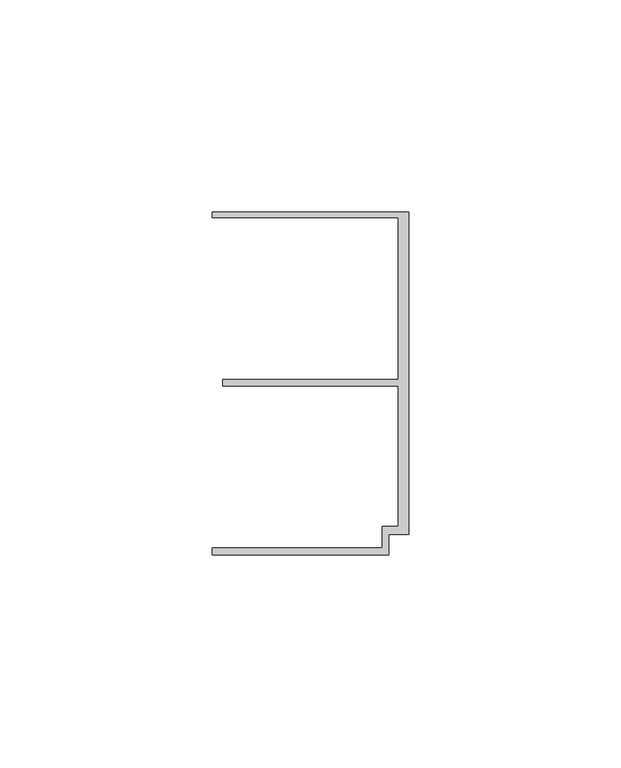
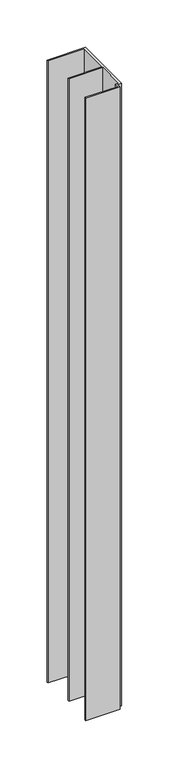
"""IFC4 building model written with IfcOpenShell, lengths in millimetres: member geometry."""

import ifcopenshell
import ifcopenshell.guid

model = None  # the IFC model being written
_history = None  # IfcOwnerHistory: only IFC2X3 demands one
_inside = {}  # id of a spatial element -> (the spatial element, [elements in it])
_under = {}  # id of a project, library or spatial element -> (it, [spatial elements below it])
_declared = {}  # id of a project -> (the project, [libraries it declares])
_typed = {}  # id of a type object -> (the type object, [elements of that type])
_made_of = {}  # id of a material, layer set ... -> (it, [elements and type objects made of it])


def new_model(schema):
    """Start an empty IFC model of exactly this schema.

    Asked for "IFC4X3", IfcOpenShell would pick the latest addendum, in which some entities
    have other attributes; the version numbers below select the first issue.
    IFC2X3 requires an IfcOwnerHistory on every rooted entity: one is made here for all.
    """
    global model, _history
    if schema == "IFC4X3":
        model = ifcopenshell.file(schema_version=(4, 3, 0, 0))
    else:
        model = ifcopenshell.file(schema=schema)
    _inside.clear()
    _under.clear()
    _declared.clear()
    _typed.clear()
    _made_of.clear()
    _history = None
    if model.schema == "IFC2X3":
        org = make("IfcOrganization", Name="unknown")
        user = make(
            "IfcPersonAndOrganization",
            ThePerson=make("IfcPerson", FamilyName="unknown"),
            TheOrganization=org,
        )
        app = make(
            "IfcApplication",
            ApplicationDeveloper=org,
            Version="unknown",
            ApplicationFullName="unknown",
            ApplicationIdentifier="unknown",
        )
        _history = make(
            "IfcOwnerHistory",
            OwningUser=user,
            OwningApplication=app,
            ChangeAction="ADDED",
            CreationDate=0,
        )
    return model


def make(cls, **values):
    """One entity of the class cls with the attributes given. An attribute that is None is left unset."""
    return model.create_entity(
        cls, **{name: value for name, value in values.items() if value is not None}
    )


def rooted(cls, **values):
    """An entity with a GlobalId (a new one), such as an element, a storey or a relation."""
    return make(cls, GlobalId=ifcopenshell.guid.new(), OwnerHistory=_history, **values)


def si_unit(unit_type, name, prefix=None):
    """IfcSIUnit, for example si_unit("LENGTHUNIT", "METRE", prefix="MILLI")."""
    return make("IfcSIUnit", UnitType=unit_type, Prefix=prefix, Name=name)


def assignment(units):
    """IfcUnitAssignment: the units of a project."""
    return None if units is None else make("IfcUnitAssignment", Units=units)


def point(xyz):
    """IfcCartesianPoint."""
    return None if xyz is None else make("IfcCartesianPoint", Coordinates=xyz)


def direction(xyz):
    """IfcDirection."""
    return None if xyz is None else make("IfcDirection", DirectionRatios=xyz)


def frame(location, z_axis=None, x_axis=None):
    """IfcAxis2Placement3D, a coordinate frame: its origin and axes. An axis left out is left unset."""
    return make(
        "IfcAxis2Placement3D",
        Location=point(location),
        Axis=direction(z_axis),
        RefDirection=direction(x_axis),
    )


def origin():
    """The frame at (0, 0, 0) with its axes left unset."""
    return frame((0.0, 0.0, 0.0))


def place(relative_to, where):
    """IfcLocalPlacement: puts the frame where relative to a parent placement (None: the world)."""
    return make(
        "IfcLocalPlacement", PlacementRelTo=relative_to, RelativePlacement=where
    )


def context(
    kind, dimensions, precision=None, world=None, true_north=None, identifier=None
):
    """IfcGeometricRepresentationContext, for example the 3D "Model" context."""
    return make(
        "IfcGeometricRepresentationContext",
        ContextIdentifier=identifier,
        ContextType=kind,
        CoordinateSpaceDimension=dimensions,
        Precision=precision,
        WorldCoordinateSystem=world,
        TrueNorth=true_north,
    )


def project(units=None, contexts=None):
    """IfcProject with its units and contexts."""
    return rooted(
        "IfcProject",
        Name="project",
        RepresentationContexts=contexts,
        UnitsInContext=assignment(units),
    )


def spatial(cls, under=None, at=None, **own):
    """A site, building, storey or space (cls), placed at a placement, below another one or the project."""
    s = rooted(cls, ObjectPlacement=at, **own)
    if under is not None:
        _under.setdefault(under.id(), (under, []))[1].append(s)
    return s


def polyline(points):
    """IfcPolyline through the points."""
    return make("IfcPolyline", Points=[point(p) for p in points])


def outline(outer, holes=None, kind="AREA"):
    """IfcArbitraryClosedProfileDef: a profile drawn as a closed curve; with holes, ...WithVoids."""
    if holes is None:
        return make("IfcArbitraryClosedProfileDef", ProfileType=kind, OuterCurve=outer)
    return make(
        "IfcArbitraryProfileDefWithVoids",
        ProfileType=kind,
        OuterCurve=outer,
        InnerCurves=holes,
    )


def extrude(swept, where, along, depth):
    """IfcExtrudedAreaSolid: the profile swept, set in the frame where, extruded along a direction by depth."""
    return make(
        "IfcExtrudedAreaSolid",
        SweptArea=swept,
        Position=where,
        ExtrudedDirection=direction(along),
        Depth=depth,
    )


def shape(context_of_items, identifier, shape_type, items):
    """IfcShapeRepresentation: the items that make up one representation, for example the "Body"."""
    return make(
        "IfcShapeRepresentation",
        ContextOfItems=context_of_items,
        RepresentationIdentifier=identifier,
        RepresentationType=shape_type,
        Items=items,
    )


def source(mapping_origin, context_of_items, identifier, shape_type, items):
    """IfcRepresentationMap: a shape defined once, which mapped items show again and again."""
    return make(
        "IfcRepresentationMap",
        MappingOrigin=mapping_origin,
        MappedRepresentation=shape(context_of_items, identifier, shape_type, items),
    )


def transform(
    local_origin,
    x_axis=None,
    y_axis=None,
    z_axis=None,
    scale=None,
    scale2=None,
    scale3=None,
    uniform=True,
):
    """IfcCartesianTransformationOperator3D, or its non-uniform kind. x_axis, y_axis, z_axis: its Axis1, 2, 3."""
    if uniform:
        return make(
            "IfcCartesianTransformationOperator3D",
            Axis1=direction(x_axis),
            Axis2=direction(y_axis),
            LocalOrigin=point(local_origin),
            Scale=scale,
            Axis3=direction(z_axis),
        )
    return make(
        "IfcCartesianTransformationOperator3DnonUniform",
        Axis1=direction(x_axis),
        Axis2=direction(y_axis),
        LocalOrigin=point(local_origin),
        Scale=scale,
        Axis3=direction(z_axis),
        Scale2=scale2,
        Scale3=scale3,
    )


def mapped(mapping_source, mapping_target):
    """IfcMappedItem: shows the shape of a source again, moved by a transform."""
    return make(
        "IfcMappedItem", MappingSource=mapping_source, MappingTarget=mapping_target
    )


def made_of(thing, what):
    """Note that an element or type object is made of a material, layer set ...; save() writes the relation."""
    if what is not None:
        _made_of.setdefault(what.id(), (what, []))[1].append(thing)
    return thing


def element(
    cls,
    number,
    at=None,
    inside=None,
    cuts=None,
    type_object=None,
    material=None,
    context=None,
    identifier="Body",
    shape_type=None,
    held_by="IfcProductDefinitionShape",
    body=None,
    shapes=None,
    **own,
):
    """One element of the class cls, such as IfcWall. Its Tag is "e" and its number.

    at: its placement. inside: the storey or other place that contains it. cuts: it is an
    opening in that element (IfcRelVoidsElement). A single representation is given by context,
    identifier, shape_type and body (its items); several are given by shapes. held_by: the class
    of the entity that holds the representations. save() writes the other relations.
    """
    e = rooted(cls, Tag="e%d" % number, ObjectPlacement=at, **own)
    if body is not None:
        shapes = [shape(context, identifier, shape_type, body)]
    if shapes is not None:
        e.Representation = make(held_by, Representations=shapes)
    if inside is not None:
        _inside.setdefault(inside.id(), (inside, []))[1].append(e)
    if cuts is not None:
        rooted(
            "IfcRelVoidsElement", RelatingBuildingElement=cuts, RelatedOpeningElement=e
        )
    if type_object is not None:
        _typed.setdefault(type_object.id(), (type_object, []))[1].append(e)
    return made_of(e, material)


def aggregate(whole, parts):
    """IfcRelAggregates: a whole, such as a stair, and the parts it consists of."""
    return rooted("IfcRelAggregates", RelatingObject=whole, RelatedObjects=parts)


def save(model, path):
    """Write the relations noted so far, then the file.

    IfcRelAggregates (storeys below a building ...), IfcRelContainedInSpatialStructure (elements
    in a storey), IfcRelDefinesByType, IfcRelAssociatesMaterial and IfcRelDeclares: one each for
    every whole, place, type object, material and project.
    """
    for whole, parts in _under.values():
        aggregate(whole, parts)
    for where, things in _inside.values():
        rooted(
            "IfcRelContainedInSpatialStructure",
            RelatedElements=things,
            RelatingStructure=where,
        )
    for kind, things in _typed.values():
        rooted("IfcRelDefinesByType", RelatedObjects=things, RelatingType=kind)
    for what, things in _made_of.values():
        rooted("IfcRelAssociatesMaterial", RelatedObjects=things, RelatingMaterial=what)
    for by, libraries in _declared.values():
        rooted("IfcRelDeclares", RelatingContext=by, RelatedDefinitions=libraries)
    model.write(path)


def member_60e054e2(model_context):
    return source(origin(), model_context, "Body", "SweptSolid", [
        extrude(outline(polyline([(-6.2, -33.95), (-2.4, -33.95), (-2.4, -0.75), (-43.8, -0.75), (-43.8, 0.75), (-2.4, 0.75), (-2.4, 38.95), (-46.3, 38.95), (-46.3, 40.25), (0.0, 40.25), (0.0, -35.75), (-4.6999992, -35.75), (-4.6999992, -40.65), (-46.3, -40.65), (-46.3, -38.95), (-6.2, -38.95), (-6.2, -33.95)])), frame((0.0, 0.0, -800.0), z_axis=(0.0, 0.0, 1.0), x_axis=(1.0, 0.0, 0.0)), (0.0, 0.0, 1.0), 800.0),
    ])


if __name__ == "__main__":
    model = new_model("IFC4")
    model_context = context("Model", 3, world=origin())
    ifc_project = project(units=[si_unit("LENGTHUNIT", "METRE", prefix="MILLI")], contexts=[model_context])
    site = spatial("IfcSite", under=ifc_project)
    building = spatial("IfcBuilding", under=site)
    placement = place(None, origin())
    member_shape = member_60e054e2(model_context)
    element("IfcMember", 1, at=placement, inside=building, context=model_context, shape_type="MappedRepresentation", body=[
        mapped(member_shape, transform((0.0, 0.0, 0.0), x_axis=(1.0, 0.0, 0.0), y_axis=(0.0, 1.0, 0.0), z_axis=(0.0, 0.0, 1.0))),
    ])
    save(model, "model.ifc")
